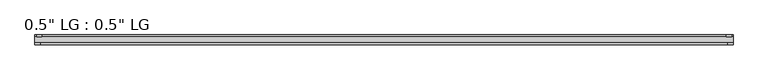
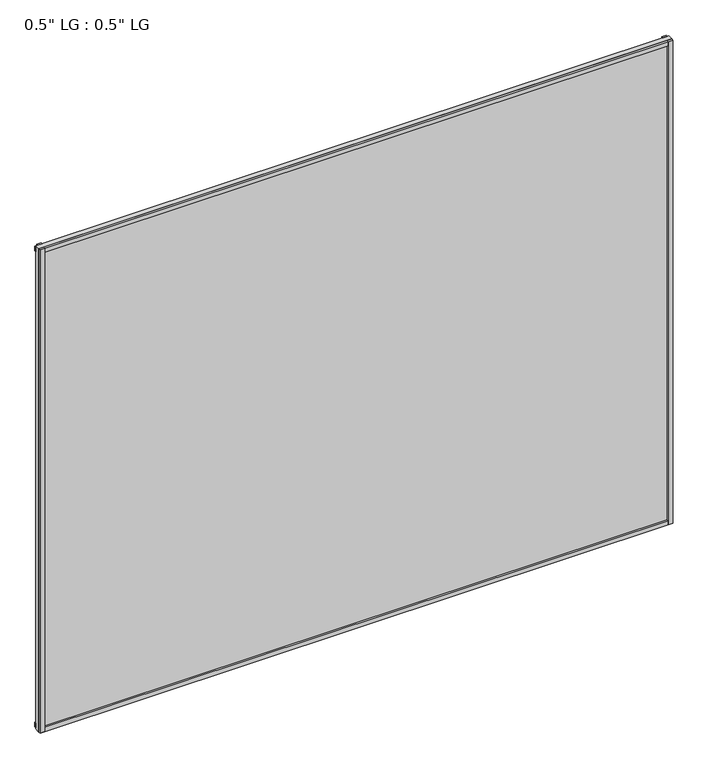
"""IFC4 building model written with IfcOpenShell, lengths in millimetres: plate geometry."""

from ifc_helpers import new_model, si_unit, frame, origin, origin_with_axes, place, context, project, spatial, polyline, outline, extrude, source, transform, mapped, element, save


def plate_e80b7d05(model_context):
    return source(origin(), model_context, "Body", "SweptSolid", [
        extrude(outline(polyline([(804.068369, -33.3271813), (804.068369, -38.0007813), (791.9306894, -38.0007813), (791.9306894, -33.3271813), (804.068369, -33.3271813)])), origin_with_axes(), (0.0, 0.0, 1.0), 1297.2047842),
        extrude(outline(polyline([(800.5370153, -15.5217813), (800.5370153, -19.7127813), (788.5245915, -19.7127813), (788.5245915, -15.5217813), (800.5370153, -15.5217813)])), origin_with_axes(), (0.0, 0.0, 1.0), 1297.2047842),
        extrude(outline(polyline([(-791.777791, -38.0007812), (-804.068369, -38.0007812), (-804.068369, -33.3271813), (-791.777791, -33.3271813), (-791.777791, -38.0007812)])), origin_with_axes(), (0.0, 0.0, 1.0), 1297.2047842),
        extrude(outline(polyline([(-787.8185531, -19.7127813), (-800.1091311, -19.7127813), (-800.1091311, -15.5217812), (-787.8185531, -15.5217812), (-787.8185531, -19.7127813)])), origin_with_axes(), (0.0, 0.0, 1.0), 1297.2047842),
        extrude(outline(polyline([(804.068369, -33.3271813), (804.068369, -38.0007813), (-804.068369, -38.0007812), (-804.068369, -33.3271813), (804.068369, -33.3271813)])), origin_with_axes(), (0.0, 0.0, 1.0), 11.1693096),
        extrude(outline(polyline([(804.068369, -15.3590708), (804.068369, -20.1364307), (-804.068369, -20.1364307), (-804.068369, -15.3590708), (804.068369, -15.3590708)])), frame((0.0, 0.0, 3.848913), z_axis=(0.0, 0.0, 1.0), x_axis=(1.0, 0.0, 0.0)), (0.0, 0.0, 1.0), 11.1693096),
        extrude(outline(polyline([(804.068369, -33.3271813), (804.068369, -38.0007813), (-804.068369, -38.0007812), (-804.068369, -33.3271813), (804.068369, -33.3271813)])), frame((0.0, 0.0, 1286.0236783), z_axis=(0.0, 0.0, 1.0), x_axis=(1.0, 0.0, 0.0)), (0.0, 0.0, 1.0), 11.1811058),
        extrude(outline(polyline([(804.068369, -15.5217813), (804.068369, -19.7127813), (-804.068369, -19.7127812), (-804.068369, -15.5217813), (804.068369, -15.5217813)])), frame((0.0, 0.0, 1281.4645316), z_axis=(0.0, 0.0, 1.0), x_axis=(1.0, 0.0, 0.0)), (0.0, 0.0, 1.0), 11.1811058),
        extrude(outline(polyline([(804.068369, -33.3271812), (-804.068369, -33.3271812), (-804.068369, -19.7127812), (804.068369, -19.7127812), (804.068369, -33.3271812)])), origin_with_axes(), (0.0, 0.0, 1.0), 1297.2047842),
    ])


if __name__ == "__main__":
    model = new_model("IFC4")
    model_context = context("Model", 3, world=origin())
    ifc_project = project(units=[si_unit("LENGTHUNIT", "METRE", prefix="MILLI")], contexts=[model_context])
    site = spatial("IfcSite", under=ifc_project)
    building = spatial("IfcBuilding", under=site)
    placement = place(None, origin())
    plate_shape = plate_e80b7d05(model_context)
    element("IfcPlate", 1, ObjectType="0.5\" LG : 0.5\" LG", at=placement, inside=building, context=model_context, shape_type="MappedRepresentation", body=[
        mapped(plate_shape, transform((0.0, 0.0, 0.0), x_axis=(1.0, 0.0, 0.0), y_axis=(0.0, 1.0, 0.0), z_axis=(0.0, 0.0, 1.0))),
    ])
    save(model, "model.ifc")
